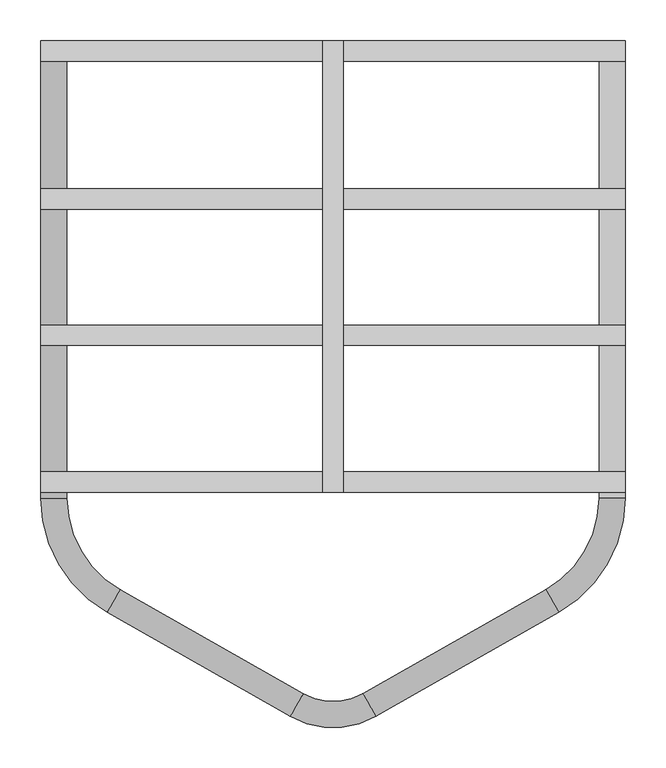
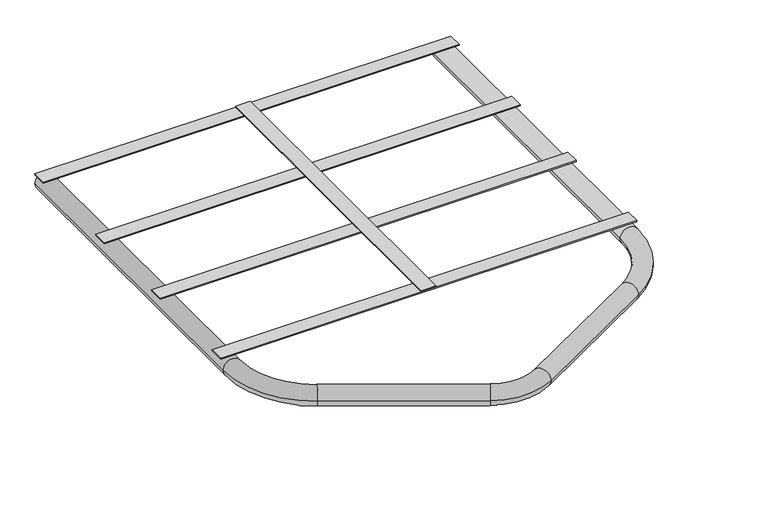
"""IFC4 building model written with IfcOpenShell, lengths in millimetres: proxy geometry."""

from ifc_helpers import new_model, si_unit, point, frame, origin, place, context, project, spatial, polyline, circle_curve, ellipse_curve, trimmed, outline, extrude, source, transform, mapped, element, save
from ifc_brep_helpers import plane_surface, cylinder_surface, revolved_surface, advanced_brep


def generic_models_94403b71(model_context):
    return source(origin(), model_context, "Body", "SolidModel", [
        extrude(outline(polyline([(12.5, 0.0), (12.5, -553.3173255), (0.0, -553.3173255), (-12.5, -553.3173255), (-12.5, 0.0), (0.0, 0.0), (12.5, 0.0)])), frame((0.0, 0.0, 18.0), z_axis=(0.0, 0.0, 1.0), x_axis=(1.0, 0.0, 0.0)), (0.0, 0.0, 1.0), 2.0),
        extrude(outline(polyline([(358.0, -553.3173255), (-358.0, -553.3173255), (-358.0, -528.3173255), (358.0, -528.3173255), (358.0, -553.3173255)])), frame((0.0, 0.0, 16.0), z_axis=(0.0, 0.0, 1.0), x_axis=(1.0, 0.0, 0.0)), (0.0, 0.0, 1.0), 2.0),
        extrude(outline(polyline([(358.0, -373.3173255), (-358.0, -373.3173255), (-358.0, -348.3173255), (358.0, -348.3173255), (358.0, -373.3173255)])), frame((0.0, 0.0, 16.0), z_axis=(0.0, 0.0, 1.0), x_axis=(1.0, 0.0, 0.0)), (0.0, 0.0, 1.0), 2.0),
        extrude(outline(polyline([(358.0, -25.0), (-358.0, -25.0), (-358.0, 0.0), (358.0, 0.0), (358.0, -25.0)])), frame((0.0, 0.0, 16.0), z_axis=(0.0, 0.0, 1.0), x_axis=(1.0, 0.0, 0.0)), (0.0, 0.0, 1.0), 2.0),
        extrude(outline(polyline([(358.0, -206.3173255), (-358.0, -206.3173255), (-358.0, -181.3173255), (358.0, -181.3173255), (358.0, -206.3173255)])), frame((0.0, 0.0, 16.0), z_axis=(0.0, 0.0, 1.0), x_axis=(1.0, 0.0, 0.0)), (0.0, 0.0, 1.0), 2.0),
        advanced_brep(
        [(-326.0, 0.0, 0.0), (-358.0, 0.0, 0.0), (-326.0, -560.2238024, 0.0), (-358.0, -560.2238024, 0.0), (-276.62727, -700.1541347, 0.0), (-260.8007318, -672.3418947, 0.0), (-36.5988694, -799.9238274, 0.0), (-52.4254076, -827.7360673, 0.0), (52.4254076, -827.7360673, 0.0), (36.5988694, -799.9238274, 0.0), (260.8007318, -672.3418947, 0.0), (276.62727, -700.1541347, 0.0), (358.0, -560.2238024, 0.0), (326.0, -560.2238024, 0.0), (326.0, 0.0, 0.0), (358.0, 0.0, 0.0)],
        [
            (0, 1, circle_curve(frame((-342.0, 0.0, 0.0), z_axis=(0.0, 1.0, 0.0), x_axis=(-1.0, 0.0, 0.0)), 16.0)),
            (1, 0, circle_curve(frame((-342.0, 0.0, 0.0), z_axis=(0.0, 1.0, 0.0), x_axis=(-1.0, 0.0, 0.0)), 16.0)),
            (0, 2),
            (2, 3, circle_curve(frame((-342.0, -560.2238024, 0.0), z_axis=(0.0, 1.0, 0.0), x_axis=(-1.0, 0.0, 0.0)), 16.0)),
            (3, 1),
            (3, 2, circle_curve(frame((-342.0, -560.2238024, 0.0), z_axis=(0.0, 1.0, 0.0), x_axis=(-1.0, 0.0, 0.0)), 16.0)),
            (4, 3, circle_curve(frame((-197.0, -560.2238024, 0.0), z_axis=(0.0, 0.0, -1.0), x_axis=(-1.0, 0.0, 0.0)), 161.0)),
            (2, 5, circle_curve(frame((-197.0, -560.2238024, 0.0), z_axis=(0.0, 0.0, 1.0), x_axis=(-1.0, 0.0, 0.0)), 129.0)),
            (5, 4, circle_curve(frame((-268.7140009, -686.2480147, 0.0), z_axis=(-0.8691324983277361, 0.49457931654142984, 0.0), x_axis=(-0.49457931654142984, -0.8691324983277361, 0.0)), 16.0)),
            (4, 5, circle_curve(frame((-268.7140009, -686.2480147, 0.0), z_axis=(-0.869132498327736, 0.49457931654143006, 0.0), x_axis=(-0.49457931654143006, -0.869132498327736, 0.0)), 16.0)),
            (5, 6),
            (6, 7, circle_curve(frame((-44.5121385, -813.8299474, 0.0), z_axis=(-0.8691324983277392, 0.49457931654142434, 0.0), x_axis=(-0.49457931654142434, -0.8691324983277392, 0.0)), 16.0)),
            (7, 4),
            (7, 6, circle_curve(frame((-44.5121385, -813.8299474, 0.0), z_axis=(-0.8691324983277392, 0.49457931654142434, 0.0), x_axis=(-0.49457931654142434, -0.8691324983277392, 0.0)), 16.0)),
            (8, 7, circle_curve(frame((0.0, -735.6080225, 0.0), z_axis=(0.0, 0.0, -1.0), x_axis=(-0.49457931654142984, -0.8691324983277361, 0.0)), 106.0)),
            (6, 9, circle_curve(frame((0.0, -735.6080225, 0.0), z_axis=(0.0, 0.0, 1.0), x_axis=(-0.49457931654142984, -0.8691324983277361, 0.0)), 74.0)),
            (9, 8, circle_curve(frame((44.5121385, -813.8299474, 0.0), z_axis=(-0.8691324983277421, -0.49457931654141946, 0.0), x_axis=(0.49457931654141946, -0.8691324983277421, 0.0)), 16.0)),
            (8, 9, circle_curve(frame((44.5121385, -813.8299474, 0.0), z_axis=(-0.8691324983277425, -0.49457931654141873, 0.0), x_axis=(0.49457931654141873, -0.8691324983277425, 0.0)), 16.0)),
            (9, 10),
            (10, 11, circle_curve(frame((268.7140009, -686.2480147, 0.0), z_axis=(-0.8691324983277393, -0.49457931654142445, 0.0), x_axis=(0.49457931654142445, -0.8691324983277393, 0.0)), 16.0)),
            (11, 8),
            (11, 10, circle_curve(frame((268.7140009, -686.2480147, 0.0), z_axis=(-0.8691324983277393, -0.49457931654142445, 0.0), x_axis=(0.49457931654142445, -0.8691324983277393, 0.0)), 16.0)),
            (12, 11, circle_curve(frame((197.0, -560.2238024, 0.0), z_axis=(0.0, 0.0, -1.0), x_axis=(0.49457931654142423, -0.8691324983277392, 0.0)), 161.0)),
            (10, 13, circle_curve(frame((197.0, -560.2238024, 0.0), z_axis=(0.0, 0.0, 1.0), x_axis=(0.49457931654142423, -0.8691324983277392, 0.0)), 129.0)),
            (13, 12, circle_curve(frame((342.0, -560.2238024, 0.0), z_axis=(0.0, -1.0, 0.0), x_axis=(1.0, 0.0, 0.0)), 16.0)),
            (12, 13, circle_curve(frame((342.0, -560.2238024, 0.0), z_axis=(0.0, -1.0, 0.0), x_axis=(1.0, 0.0, 0.0)), 16.0)),
            (14, 15, circle_curve(frame((342.0, 0.0, 0.0), z_axis=(0.0, 1.0, 0.0), x_axis=(1.0, 0.0, 0.0)), 16.0)),
            (15, 14, circle_curve(frame((342.0, 0.0, 0.0), z_axis=(0.0, 1.0, 0.0), x_axis=(1.0, 0.0, 0.0)), 16.0)),
            (13, 14),
            (15, 12),
        ],
        [
            plane_surface(frame((-342.0, 0.0, 0.0), z_axis=(0.0, 1.0, 0.0), x_axis=(0.0, 0.0, 1.0))),
            cylinder_surface(frame((-342.0, 0.0, 0.0), z_axis=(0.0, 1.0, 0.0), x_axis=(-1.0, 0.0, 0.0)), 16.0),
            revolved_surface(trimmed(ellipse_curve(frame((-342.0, -560.2238024, 0.0), z_axis=(0.0, 1.0, 0.0), x_axis=(-1.0, 0.0, 0.0)), 16.0, 16.0), [point((-326.0, -560.2238024, 0.0))], [point((-358.0, -560.2238024, 0.0))], True, "CARTESIAN"), (-197.0, -560.2238024, 0.0), (0.0, 0.0, 1.0)),
            revolved_surface(trimmed(ellipse_curve(frame((-342.0, -560.2238024, 0.0), z_axis=(0.0, 1.0, 0.0), x_axis=(-1.0, 0.0, 0.0)), 16.0, 16.0), [point((-358.0, -560.2238024, 0.0))], [point((-326.0, -560.2238024, 0.0))], True, "CARTESIAN"), (-197.0, -560.2238024, 0.0), (0.0, 0.0, 1.0)),
            cylinder_surface(frame((-268.7140009, -686.2480147, 0.0), z_axis=(-0.8691324983277392, 0.49457931654142434, 0.0), x_axis=(-0.49457931654142434, -0.8691324983277392, 0.0)), 16.0),
            revolved_surface(trimmed(ellipse_curve(frame((-44.5121385, -813.8299474, 0.0), z_axis=(-0.8691324983277361, 0.4945793165414297, 0.0), x_axis=(-0.4945793165414297, -0.8691324983277361, 0.0)), 16.0, 16.0), [point((-36.5988694, -799.9238274, 0.0))], [point((-52.4254076, -827.7360673, 0.0))], True, "CARTESIAN"), (0.0, -735.6080225, 0.0), (0.0, 0.0, 1.0)),
            revolved_surface(trimmed(ellipse_curve(frame((-44.5121385, -813.8299474, 0.0), z_axis=(-0.8691324983277361, 0.4945793165414297, 0.0), x_axis=(-0.4945793165414297, -0.8691324983277361, 0.0)), 16.0, 16.0), [point((-52.4254076, -827.7360673, 0.0))], [point((-36.5988694, -799.9238274, 0.0))], True, "CARTESIAN"), (0.0, -735.6080225, 0.0), (0.0, 0.0, 1.0)),
            cylinder_surface(frame((44.5121385, -813.8299474, 0.0), z_axis=(-0.8691324983277393, -0.49457931654142445, 0.0), x_axis=(0.49457931654142445, -0.8691324983277393, 0.0)), 16.0),
            revolved_surface(trimmed(ellipse_curve(frame((268.7140009, -686.2480147, 0.0), z_axis=(-0.8691324983277392, -0.4945793165414242, 0.0), x_axis=(0.4945793165414242, -0.8691324983277392, 0.0)), 16.0, 16.0), [point((260.8007318, -672.3418947, 0.0))], [point((276.62727, -700.1541347, 0.0))], True, "CARTESIAN"), (197.0, -560.2238024, 0.0), (0.0, 0.0, 1.0)),
            revolved_surface(trimmed(ellipse_curve(frame((268.7140009, -686.2480147, 0.0), z_axis=(-0.8691324983277392, -0.4945793165414242, 0.0), x_axis=(0.4945793165414242, -0.8691324983277392, 0.0)), 16.0, 16.0), [point((276.62727, -700.1541347, 0.0))], [point((260.8007318, -672.3418947, 0.0))], True, "CARTESIAN"), (197.0, -560.2238024, 0.0), (0.0, 0.0, 1.0)),
            plane_surface(frame((342.0, 0.0, 0.0), z_axis=(0.0, 1.0, 0.0), x_axis=(0.0, 0.0, 1.0))),
            cylinder_surface(frame((342.0, -560.2238024, 0.0), z_axis=(0.0, -1.0, 0.0), x_axis=(1.0, 0.0, 0.0)), 16.0),
        ],
        [
            (0, [[1, 2]]),
            (1, [[-1, 3, 4, 5]]),
            (1, [[-2, -5, 6, -3]]),
            (2, [[7, -4, 8, 9]]),
            (3, [[-8, -6, -7, 10]]),
            (4, [[-9, 11, 12, 13]]),
            (4, [[-10, -13, 14, -11]]),
            (5, [[15, -12, 16, 17]]),
            (6, [[-16, -14, -15, 18]]),
            (7, [[-17, 19, 20, 21]]),
            (7, [[-18, -21, 22, -19]]),
            (8, [[23, -20, 24, 25]]),
            (9, [[-24, -22, -23, 26]]),
            (10, [[27, 28]]),
            (11, [[-25, 29, -28, 30]]),
            (11, [[-26, -30, -27, -29]]),
        ],
    ),
    ])


if __name__ == "__main__":
    model = new_model("IFC4")
    model_context = context("Model", 3, world=origin())
    ifc_project = project(units=[si_unit("LENGTHUNIT", "METRE", prefix="MILLI")], contexts=[model_context])
    site = spatial("IfcSite", under=ifc_project)
    building = spatial("IfcBuilding", under=site)
    placement = place(None, origin())
    generic_models_shape = generic_models_94403b71(model_context)
    element("IfcBuildingElementProxy", 1, Name="Generic Models", at=placement, inside=building, context=model_context, shape_type="MappedRepresentation", body=[
        mapped(generic_models_shape, transform((0.0, 0.0, 0.0), x_axis=(1.0, 0.0, 0.0), y_axis=(0.0, 1.0, 0.0), z_axis=(0.0, 0.0, 1.0))),
    ])
    save(model, "model.ifc")
